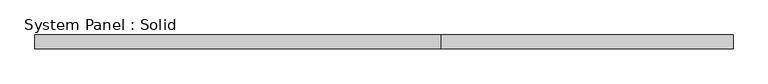
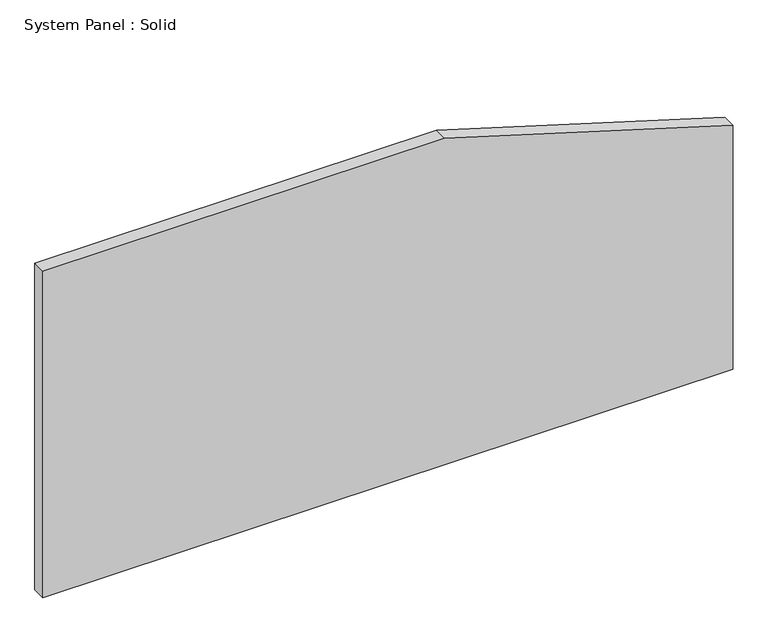
"""IFC4 building model written with IfcOpenShell, lengths in millimetres: plate geometry, System Panel : Solid."""

from ifc_helpers import new_model, si_unit, frame, origin, place, context, project, spatial, polyline, outline, extrude, source, transform, mapped, element, save


def system_panel_solid_3b6f8c85(model_context):
    return source(origin(), model_context, "Body", "SweptSolid", [
        extrude(outline(polyline([(0.0, -1500.0), (0.0, 1500.0), (1121.0767515, 1500.0), (1500.0, 246.9417095), (1500.0, -1500.0), (0.0, -1500.0)])), frame((0.0, -10.5, 0.0), z_axis=(0.0, 1.0, 0.0), x_axis=(0.0, 0.0, 1.0)), (0.0, 0.0, 1.0), 60.0),
    ])


if __name__ == "__main__":
    model = new_model("IFC4")
    model_context = context("Model", 3, world=origin())
    ifc_project = project(units=[si_unit("LENGTHUNIT", "METRE", prefix="MILLI")], contexts=[model_context])
    site = spatial("IfcSite", under=ifc_project)
    building = spatial("IfcBuilding", under=site)
    placement = place(None, origin())
    system_panel_solid_shape = system_panel_solid_3b6f8c85(model_context)
    element("IfcPlate", 1, ObjectType="System Panel : Solid", at=placement, inside=building, context=model_context, shape_type="MappedRepresentation", body=[
        mapped(system_panel_solid_shape, transform((0.0, 0.0, 0.0), x_axis=(1.0, 0.0, 0.0), y_axis=(0.0, 1.0, 0.0), z_axis=(0.0, 0.0, 1.0))),
    ])
    save(model, "model.ifc")
